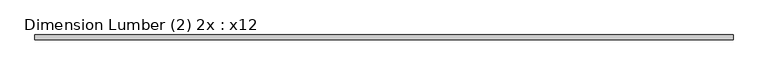
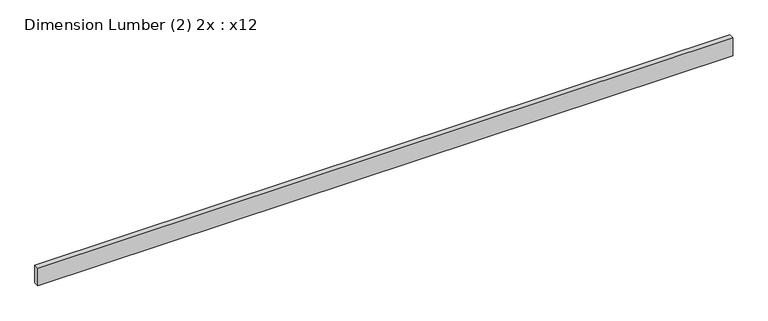
"""IFC4 building model written with IfcOpenShell, lengths in millimetres: beam geometry, Dimension Lumber (2) 2x : x12."""

from ifc_helpers import new_model, si_unit, frame, origin, place, context, project, spatial, polyline, outline, extrude, source, transform, mapped, element, save


def dimension_lumber_2_2x_x12_e21c43c5(model_context):
    return source(origin(), model_context, "Body", "SweptSolid", [
        extrude(outline(polyline([(5291.1883, 38.1), (5291.1883, -38.1), (-5291.1882994, -38.1), (-5291.1882994, 38.1), (5291.1883, 38.1)])), frame((0.0, 0.0, -142.875), z_axis=(0.0, 0.0, 1.0), x_axis=(1.0, 0.0, 0.0)), (0.0, 0.0, 1.0), 285.75),
    ])


if __name__ == "__main__":
    model = new_model("IFC4")
    model_context = context("Model", 3, world=origin())
    ifc_project = project(units=[si_unit("LENGTHUNIT", "METRE", prefix="MILLI")], contexts=[model_context])
    site = spatial("IfcSite", under=ifc_project)
    building = spatial("IfcBuilding", under=site)
    placement = place(None, origin())
    dimension_lumber_2_2x_x12_shape = dimension_lumber_2_2x_x12_e21c43c5(model_context)
    element("IfcBeam", 1, ObjectType="Dimension Lumber (2) 2x : x12", at=placement, inside=building, context=model_context, shape_type="MappedRepresentation", body=[
        mapped(dimension_lumber_2_2x_x12_shape, transform((0.0, 0.0, 0.0), x_axis=(1.0, 0.0, 0.0), y_axis=(0.0, 1.0, 0.0), z_axis=(0.0, 0.0, 1.0))),
    ])
    save(model, "model.ifc")
